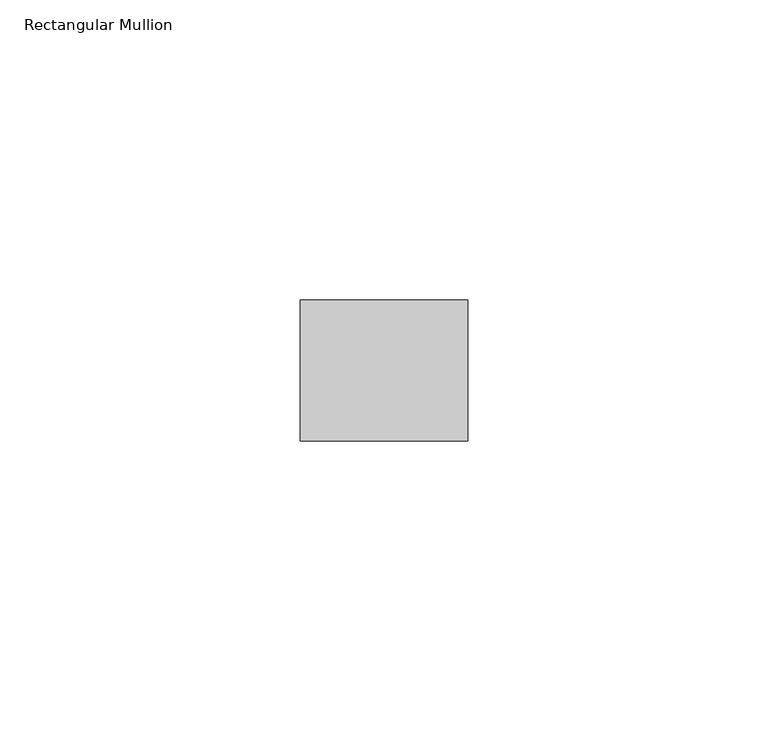
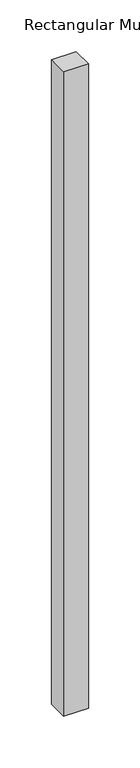
"""IFC4 building model written with IfcOpenShell, lengths in millimetres: member geometry, Rectangular Mullion."""

from ifc_helpers import new_model, si_unit, frame, origin, place, context, project, spatial, polyline, outline, extrude, source, transform, mapped, element, save


def rectangular_mullion_e5d7262d(model_context):
    return source(origin(), model_context, "Body", "SweptSolid", [
        extrude(outline(polyline([(0.0, -11.7474999), (-27.94, -11.7474999), (-27.94, 11.7474999), (0.0, 11.7474999), (0.0, -11.7474999)])), frame((0.0, 0.0, -763.7265464), z_axis=(0.0, 0.0, 1.0), x_axis=(1.0, 0.0, 0.0)), (0.0, 0.0, 1.0), 763.7265464),
    ])


if __name__ == "__main__":
    model = new_model("IFC4")
    model_context = context("Model", 3, world=origin())
    ifc_project = project(units=[si_unit("LENGTHUNIT", "METRE", prefix="MILLI")], contexts=[model_context])
    site = spatial("IfcSite", under=ifc_project)
    building = spatial("IfcBuilding", under=site)
    placement = place(None, origin())
    rectangular_mullion_shape = rectangular_mullion_e5d7262d(model_context)
    element("IfcMember", 1, ObjectType="Rectangular Mullion", at=placement, inside=building, context=model_context, shape_type="MappedRepresentation", body=[
        mapped(rectangular_mullion_shape, transform((0.0, 0.0, 0.0), x_axis=(1.0, 0.0, 0.0), y_axis=(0.0, 1.0, 0.0), z_axis=(0.0, 0.0, 1.0))),
    ])
    save(model, "model.ifc")
